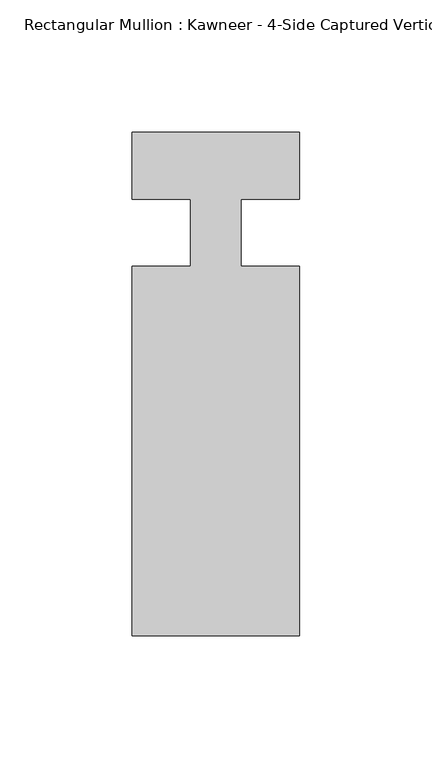
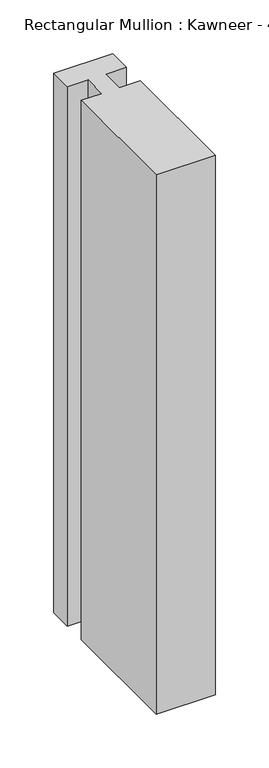
"""IFC4 building model written with IfcOpenShell, lengths in millimetres: member geometry."""

from ifc_helpers import new_model, si_unit, frame, origin, place, context, project, spatial, polyline, outline, extrude, source, transform, mapped, element, save


def member_17211a4c(model_context):
    return source(origin(), model_context, "Body", "SweptSolid", [
        extrude(outline(polyline([(-9.5251132, 12.7), (-31.75, 12.7), (-31.75, 38.1), (31.75, 38.1), (31.75, 12.7), (9.5251132, 12.7), (9.5251132, -12.7), (31.75, -12.7), (31.75, -152.399995), (-31.75, -152.399995), (-31.75, -12.7), (-9.5251132, -12.7), (-9.5251132, 12.7)])), frame((0.0, 0.0, -612.7750377), z_axis=(0.0, 0.0, 1.0), x_axis=(1.0, 0.0, 0.0)), (0.0, 0.0, 1.0), 612.7750377),
    ])


if __name__ == "__main__":
    model = new_model("IFC4")
    model_context = context("Model", 3, world=origin())
    ifc_project = project(units=[si_unit("LENGTHUNIT", "METRE", prefix="MILLI")], contexts=[model_context])
    site = spatial("IfcSite", under=ifc_project)
    building = spatial("IfcBuilding", under=site)
    placement = place(None, origin())
    member_shape = member_17211a4c(model_context)
    element("IfcMember", 1, ObjectType="Rectangular Mullion : Kawneer - 4-Side Captured Vertical Mullion - 7 1/2\"", at=placement, inside=building, context=model_context, shape_type="MappedRepresentation", body=[
        mapped(member_shape, transform((0.0, 0.0, 0.0), x_axis=(1.0, 0.0, 0.0), y_axis=(0.0, 1.0, 0.0), z_axis=(0.0, 0.0, 1.0))),
    ])
    save(model, "model.ifc")
